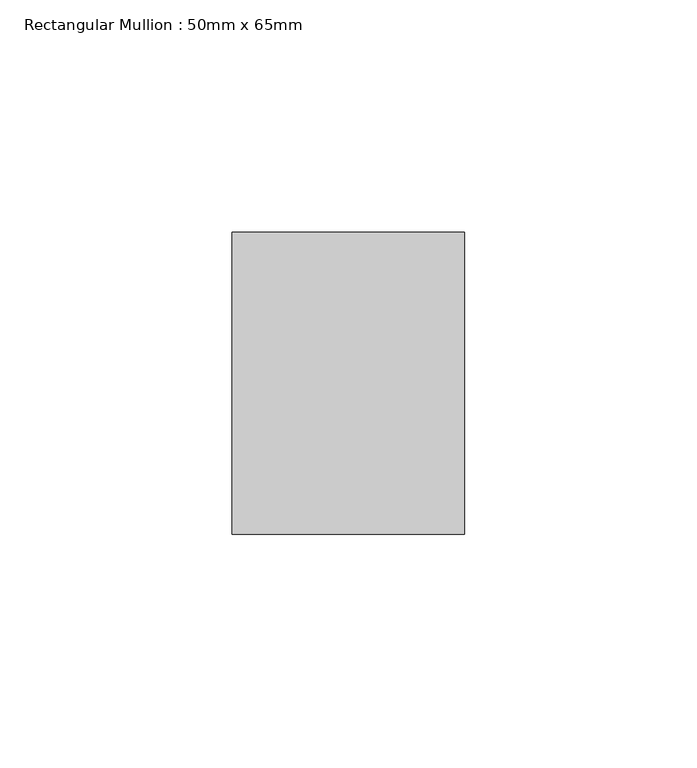
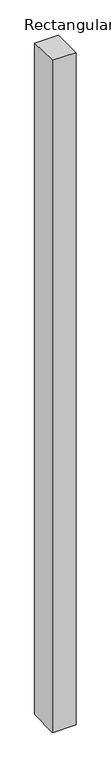
"""IFC4 building model written with IfcOpenShell, lengths in millimetres: member geometry, Rectangular Mullion : 50mm x 65mm."""

from ifc_helpers import new_model, si_unit, origin, place, context, project, spatial, faceted_brep, source, transform, mapped, element, save


def rectangular_mullion_50mm_x_65mm_d10d39f8(model_context):
    return source(origin(), model_context, "Body", "Brep", [
        faceted_brep([(-25.0, 32.5, -0.5637251), (25.0, 32.5, -0.5637246), (25.0, 32.5, -1499.5027185), (-25.0, 32.5, -1499.502718), (-25.0, -32.5, 0.5637246), (-25.0, -32.5, -1500.4960734), (25.0, -32.5, 0.5637251), (25.0, -32.5, -1500.4960739)], [[[0, 1, 2, 3]], [[4, 0, 3, 5]], [[6, 4, 5, 7]], [[1, 6, 7, 2]], [[1, 0, 4, 6]], [[2, 7, 5, 3]]]),
    ])


if __name__ == "__main__":
    model = new_model("IFC4")
    model_context = context("Model", 3, world=origin())
    ifc_project = project(units=[si_unit("LENGTHUNIT", "METRE", prefix="MILLI")], contexts=[model_context])
    site = spatial("IfcSite", under=ifc_project)
    building = spatial("IfcBuilding", under=site)
    placement = place(None, origin())
    rectangular_mullion_50mm_x_65mm_shape = rectangular_mullion_50mm_x_65mm_d10d39f8(model_context)
    element("IfcMember", 1, ObjectType="Rectangular Mullion : 50mm x 65mm", at=placement, inside=building, context=model_context, shape_type="MappedRepresentation", body=[
        mapped(rectangular_mullion_50mm_x_65mm_shape, transform((0.0, 0.0, 0.0), x_axis=(1.0, 0.0, 0.0), y_axis=(0.0, 1.0, 0.0), z_axis=(0.0, 0.0, 1.0))),
    ])
    save(model, "model.ifc")
